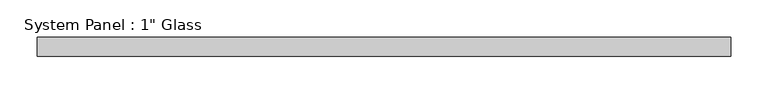
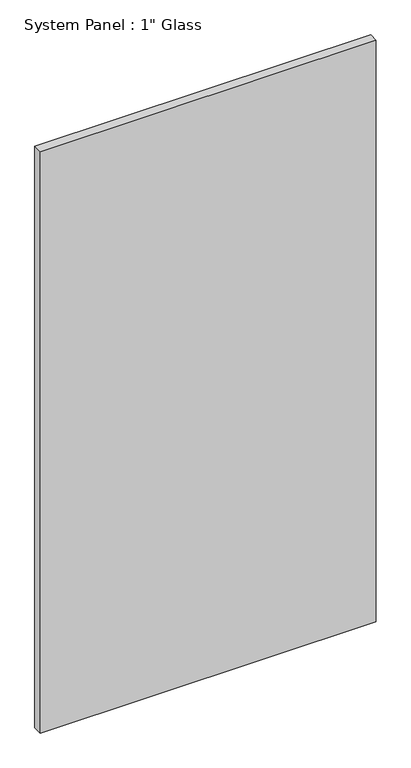
"""IFC4 building model written with IfcOpenShell, lengths in millimetres: plate geometry."""

from ifc_helpers import new_model, si_unit, origin, origin_with_axes, place, context, project, spatial, polyline, outline, extrude, source, transform, mapped, element, save


def plate_83f24ea9(model_context):
    return source(origin(), model_context, "Body", "SweptSolid", [
        extrude(outline(polyline([(463.55, -12.7), (-463.55, -12.7), (-463.55, 12.7), (463.55, 12.7), (463.55, -12.7)])), origin_with_axes(), (0.0, 0.0, 1.0), 1695.45),
    ])


if __name__ == "__main__":
    model = new_model("IFC4")
    model_context = context("Model", 3, world=origin())
    ifc_project = project(units=[si_unit("LENGTHUNIT", "METRE", prefix="MILLI")], contexts=[model_context])
    site = spatial("IfcSite", under=ifc_project)
    building = spatial("IfcBuilding", under=site)
    placement = place(None, origin())
    plate_shape = plate_83f24ea9(model_context)
    element("IfcPlate", 1, ObjectType="System Panel : 1\" Glass", at=placement, inside=building, context=model_context, shape_type="MappedRepresentation", body=[
        mapped(plate_shape, transform((0.0, 0.0, 0.0), x_axis=(1.0, 0.0, 0.0), y_axis=(0.0, 1.0, 0.0), z_axis=(0.0, 0.0, 1.0))),
    ])
    save(model, "model.ifc")
